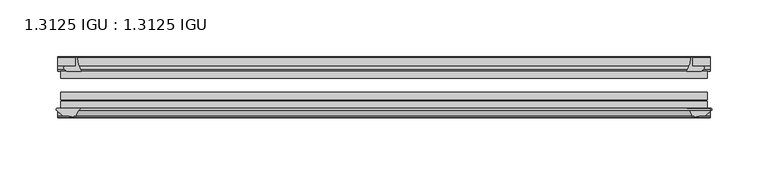
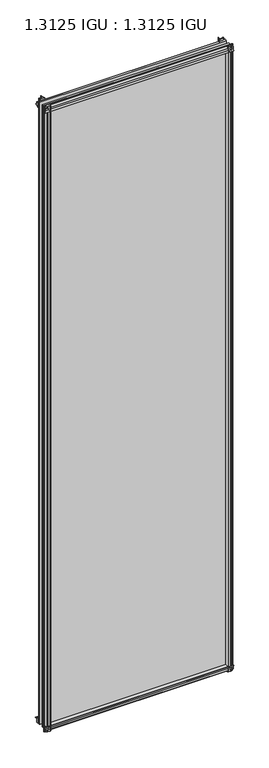
"""IFC4 building model written with IfcOpenShell, lengths in millimetres: plate geometry, 1.3125 IGU : 1.3125 IGU."""

from ifc_helpers import new_model, si_unit, point, frame, frame_2d, origin, place, context, project, spatial, polyline, circle_curve, trimmed, segment, composite_curve, outline, extrude, source, transform, mapped, element, save


def plate_1_3125_igu_1_3125_igu_9fb345c1(model_context):
    return source(origin(), model_context, "Body", "SweptSolid", [
        extrude(outline(composite_curve([segment(polyline([(-22.094825, 0.0), (-22.094825, -9.916835)]), True, "CONTINUOUS"), segment(trimmed(circle_curve(frame_2d((-23.669625, -9.916835)), 1.5748), [point((-22.094825, -9.916835))], [point((-24.8706146, -10.9354709))], False, "CARTESIAN"), True, "CONTINUOUS"), segment(polyline([(-24.8706146, -10.9354709), (-26.590625, -8.9075484), (-26.590625, 4.0446407)]), True, "CONTINUOUS"), segment(trimmed(circle_curve(frame_2d((-7.1839113, 38.4138813)), 39.4698015), [point((-26.590625, 4.0446407))], [point((-19.4504626, 0.8985917))], True, "CARTESIAN"), True, "CONTINUOUS"), segment(polyline([(-19.4504626, 0.8985917), (-13.3986538, 0.0), (-22.094825, 0.0)]), True, "CONTINUOUS")], self_intersect=False)), frame((-290.1184763, 0.0, 0.0), z_axis=(1.0, 0.0, 0.0), x_axis=(0.0, 1.0, 0.0)), (0.0, 0.0, 1.0), 580.2369525),
        extrude(outline(composite_curve([segment(trimmed(circle_curve(frame_2d((-67.8737919, 9.6311377)), 10.5748618), [point((-66.062225, -0.7874))], [point((-59.712225, 2.9068141))], True, "CARTESIAN"), True, "CONTINUOUS"), segment(polyline([(-59.712225, 2.9068141), (-59.712225, -18.0442511)]), True, "CONTINUOUS"), segment(trimmed(circle_curve(frame_2d((-60.728225, -18.0442511)), 1.016), [point((-59.712225, -18.0442511))], [point((-61.4950672, -18.7107412))], False, "CARTESIAN"), True, "CONTINUOUS"), segment(polyline([(-61.4950672, -18.7107412), (-66.062225, -13.4559149), (-66.062225, -7.4520336), (-67.637025, -1.5748), (-66.062225, -1.5748), (-66.062225, -0.7874)]), True, "CONTINUOUS")], self_intersect=False)), frame((-290.1184763, 0.0, 0.0), z_axis=(1.0, 0.0, 0.0), x_axis=(0.0, 1.0, 0.0)), (0.0, 0.0, 1.0), 580.2369525),
        extrude(outline(composite_curve([segment(polyline([(-66.062225, 2013.6598774), (-61.4950672, 2018.9147037)]), True, "CONTINUOUS"), segment(trimmed(circle_curve(frame_2d((-60.728225, 2018.2482136)), 1.016), [point((-61.4950672, 2018.9147037))], [point((-59.712225, 2018.2482136))], False, "CARTESIAN"), True, "CONTINUOUS"), segment(polyline([(-59.712225, 2018.2482136), (-59.712225, 1997.7230921)]), True, "CONTINUOUS"), segment(trimmed(circle_curve(frame_2d((-66.4211348, 1992.0932283)), 8.7581298), [point((-59.712225, 1997.7230921))], [point((-66.062225, 2000.8440009))], True, "CARTESIAN"), True, "CONTINUOUS"), segment(polyline([(-66.062225, 2000.8440009), (-66.062225, 2001.7787625), (-67.637025, 2001.7787625), (-66.062225, 2007.6559961), (-66.062225, 2013.6598774)]), True, "CONTINUOUS")], self_intersect=False)), frame((-290.1184763, 0.0, 0.0), z_axis=(1.0, 0.0, 0.0), x_axis=(0.0, 1.0, 0.0)), (0.0, 0.0, 1.0), 580.2369525),
        extrude(outline(composite_curve([segment(polyline([(-26.590625, 1996.1593218), (-26.590625, 2009.1115109), (-24.8706146, 2011.1394334)]), True, "CONTINUOUS"), segment(trimmed(circle_curve(frame_2d((-23.669625, 2010.1207975)), 1.5748), [point((-24.8706146, 2011.1394334))], [point((-22.094825, 2010.1207975))], False, "CARTESIAN"), True, "CONTINUOUS"), segment(polyline([(-22.094825, 2010.1207975), (-22.094825, 2000.25), (-14.5883882, 2000.25), (-18.3240316, 1999.4633459)]), True, "CONTINUOUS"), segment(trimmed(circle_curve(frame_2d((-16.4585419, 1986.834903)), 12.7654855), [point((-18.3240316, 1999.4633459))], [point((-20.5939581, 1998.9119869))], True, "CARTESIAN"), True, "CONTINUOUS"), segment(trimmed(circle_curve(frame_2d((-7.1839113, 1961.7900812)), 39.4698015), [point((-20.5939581, 1998.9119869))], [point((-26.590625, 1996.1593218))], True, "CARTESIAN"), True, "CONTINUOUS")], self_intersect=False)), frame((-290.1184763, 0.0, 0.0), z_axis=(1.0, 0.0, 0.0), x_axis=(0.0, 1.0, 0.0)), (0.0, 0.0, 1.0), 580.2369525),
        extrude(outline(composite_curve([segment(polyline([(281.9575484, -26.590625), (269.0053593, -26.590625)]), True, "CONTINUOUS"), segment(trimmed(circle_curve(frame_2d((234.6361187, -7.1839113)), 39.4698015), [point((269.0053593, -26.590625))], [point((272.1514083, -19.4504626))], True, "CARTESIAN"), True, "CONTINUOUS"), segment(polyline([(272.1514083, -19.4504626), (272.7972834, -15.1006424)]), True, "CONTINUOUS"), segment(trimmed(circle_curve(frame_2d((273.5767687, -15.2120036)), 0.7874), [point((272.7972834, -15.1006424))], [point((273.84375, -14.4712474))], False, "CARTESIAN"), True, "CONTINUOUS"), segment(polyline([(273.84375, -14.4712474), (273.84375, -22.094825), (282.966835, -22.094825)]), True, "CONTINUOUS"), segment(trimmed(circle_curve(frame_2d((282.966835, -23.669625)), 1.5748), [point((282.966835, -22.094825))], [point((283.9854709, -24.8706146))], False, "CARTESIAN"), True, "CONTINUOUS"), segment(polyline([(283.9854709, -24.8706146), (281.9575484, -26.590625)]), True, "CONTINUOUS")], self_intersect=False)), frame((0.0, 0.0, -18.2728511), z_axis=(0.0, 0.0, 1.0), x_axis=(1.0, 0.0, 0.0)), (0.0, 0.0, 1.0), 2037.8352548),
        extrude(outline(composite_curve([segment(polyline([(269.6989748, -59.712225), (290.2594015, -59.712225)]), True, "CONTINUOUS"), segment(trimmed(circle_curve(frame_2d((290.2594015, -60.728225)), 1.016), [point((290.2594015, -59.712225))], [point((290.9258916, -61.4950672))], False, "CARTESIAN"), True, "CONTINUOUS"), segment(polyline([(290.9258916, -61.4950672), (285.6710653, -66.062225), (281.6958336, -66.062225), (275.8186, -67.637025), (275.8186, -66.062225), (274.7282443, -66.062225)]), True, "CONTINUOUS"), segment(trimmed(circle_curve(frame_2d((274.7282443, -66.849625)), 0.7874), [point((274.7282443, -66.062225))], [point((273.9505385, -66.7264485))], True, "CARTESIAN"), True, "CONTINUOUS"), segment(trimmed(circle_curve(frame_2d((260.8852219, -69.8501675)), 13.4335445), [point((273.9505385, -66.7264485))], [point((269.6989748, -59.712225))], True, "CARTESIAN"), True, "CONTINUOUS")], self_intersect=False)), frame((0.0, 0.0, -18.2728511), z_axis=(0.0, 0.0, 1.0), x_axis=(1.0, 0.0, 0.0)), (0.0, 0.0, 1.0), 2037.8352548),
        extrude(outline(composite_curve([segment(polyline([(-272.7972834, -15.1006424), (-272.3228683, -18.2957187)]), True, "CONTINUOUS"), segment(trimmed(circle_curve(frame_2d((-259.7605951, -16.4304327)), 12.7), [point((-272.3228683, -18.2957187))], [point((-271.7741235, -20.5493081))], True, "CARTESIAN"), True, "CONTINUOUS"), segment(trimmed(circle_curve(frame_2d((-234.6361187, -7.1839113)), 39.4698015), [point((-271.7741235, -20.5493081))], [point((-269.0053593, -26.590625))], True, "CARTESIAN"), True, "CONTINUOUS"), segment(polyline([(-269.0053593, -26.590625), (-281.9575484, -26.590625), (-283.9854709, -24.8706146)]), True, "CONTINUOUS"), segment(trimmed(circle_curve(frame_2d((-282.966835, -23.669625)), 1.5748), [point((-283.9854709, -24.8706146))], [point((-282.966835, -22.094825))], False, "CARTESIAN"), True, "CONTINUOUS"), segment(polyline([(-282.966835, -22.094825), (-273.812, -22.094825), (-273.812, -14.4605617)]), True, "CONTINUOUS"), segment(trimmed(circle_curve(frame_2d((-273.5767687, -15.2120036)), 0.7874), [point((-273.812, -14.4605617))], [point((-272.7972834, -15.1006424))], False, "CARTESIAN"), True, "CONTINUOUS")], self_intersect=False)), frame((0.0, 0.0, -18.2728511), z_axis=(0.0, 0.0, 1.0), x_axis=(1.0, 0.0, 0.0)), (0.0, 0.0, 1.0), 2038.1847648),
        extrude(outline(composite_curve([segment(trimmed(circle_curve(frame_2d((-260.8852219, -69.8501675)), 13.4335445), [point((-269.6989748, -59.712225))], [point((-273.9505385, -66.7264485))], True, "CARTESIAN"), True, "CONTINUOUS"), segment(trimmed(circle_curve(frame_2d((-274.7282443, -66.849625)), 0.7874), [point((-273.9505385, -66.7264485))], [point((-274.7282443, -66.062225))], True, "CARTESIAN"), True, "CONTINUOUS"), segment(polyline([(-274.7282443, -66.062225), (-275.8186, -66.062225), (-275.8186, -67.637025), (-281.6958336, -66.062225), (-285.6710653, -66.062225), (-290.9258916, -61.4950672)]), True, "CONTINUOUS"), segment(trimmed(circle_curve(frame_2d((-290.2594015, -60.728225)), 1.016), [point((-290.9258916, -61.4950672))], [point((-290.2594015, -59.712225))], False, "CARTESIAN"), True, "CONTINUOUS"), segment(polyline([(-290.2594015, -59.712225), (-269.6989748, -59.712225)]), True, "CONTINUOUS")], self_intersect=False)), frame((0.0, 0.0, -18.2728511), z_axis=(0.0, 0.0, 1.0), x_axis=(1.0, 0.0, 0.0)), (0.0, 0.0, 1.0), 2038.1847648),
        extrude(outline(polyline([(-287.3375, -26.590625), (287.3375, -26.590625), (287.3375, -32.889825), (-287.3375, -32.889825), (-287.3375, -26.590625)])), frame((0.0, 0.0, -12.8524), z_axis=(0.0, 0.0, 1.0), x_axis=(1.0, 0.0, 0.0)), (0.0, 0.0, 1.0), 2027.3438625),
        extrude(outline(polyline([(287.3375, -45.589825), (287.3375, -51.889025), (-287.3375, -51.889025), (-287.3375, -45.589825), (287.3375, -45.589825)])), frame((0.0, 0.0, -12.8524), z_axis=(0.0, 0.0, 1.0), x_axis=(1.0, 0.0, 0.0)), (0.0, 0.0, 1.0), 2027.3438625),
        extrude(outline(polyline([(287.3375, -53.413025), (287.3375, -59.712225), (-287.3375, -59.712225), (-287.3375, -53.413025), (287.3375, -53.413025)])), frame((0.0, 0.0, -12.8524), z_axis=(0.0, 0.0, 1.0), x_axis=(1.0, 0.0, 0.0)), (0.0, 0.0, 1.0), 2027.3438625),
    ])


if __name__ == "__main__":
    model = new_model("IFC4")
    model_context = context("Model", 3, world=origin())
    ifc_project = project(units=[si_unit("LENGTHUNIT", "METRE", prefix="MILLI")], contexts=[model_context])
    site = spatial("IfcSite", under=ifc_project)
    building = spatial("IfcBuilding", under=site)
    placement = place(None, origin())
    plate_1_3125_igu_1_3125_igu_shape = plate_1_3125_igu_1_3125_igu_9fb345c1(model_context)
    element("IfcPlate", 1, ObjectType="1.3125 IGU : 1.3125 IGU", at=placement, inside=building, context=model_context, shape_type="MappedRepresentation", body=[
        mapped(plate_1_3125_igu_1_3125_igu_shape, transform((0.0, 0.0, 0.0), x_axis=(1.0, 0.0, 0.0), y_axis=(0.0, 1.0, 0.0), z_axis=(0.0, 0.0, 1.0))),
    ])
    save(model, "model.ifc")
